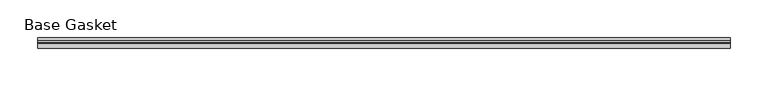
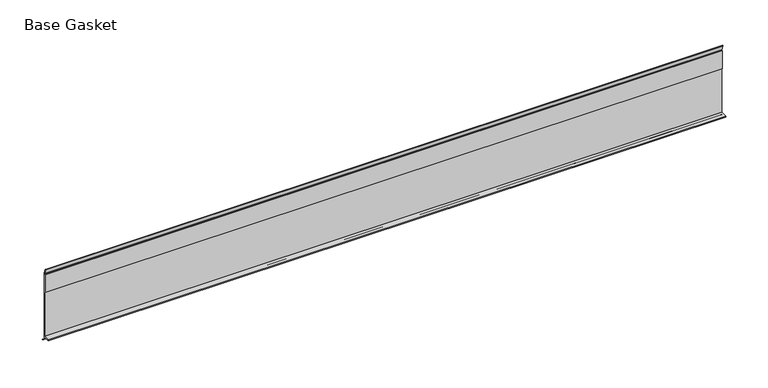
"""IFC4 building model written with IfcOpenShell, lengths in millimetres: furniture geometry, Base Gasket."""

from ifc_helpers import new_model, si_unit, frame, origin, place, context, project, spatial, polyline, outline, extrude, source, transform, mapped, element, save


def base_gasket_c7fe4c1a(model_context):
    return source(origin(), model_context, "Body", "SweptSolid", [
        extrude(outline(polyline([(3.7283812, 98.4568417), (3.7283812, 4.3498477), (7.4222115, 0.6560174), (7.8482342, 0.0), (6.8281054, 0.3520979), (2.2043812, 4.3498477), (2.1334222, 6.3818476), (-6.2405171, 6.3818476), (-6.2405171, 7.9398773), (2.2043812, 7.9398773), (2.2043812, 71.4693447), (1.4106313, 71.4693447), (1.4106313, 96.8693477), (2.2043812, 96.8693477), (2.2043812, 98.4568417), (0.6755308, 104.4162708), (0.6755308, 105.2002997), (1.1891543, 104.587663), (3.7283812, 98.4568417)])), frame((-1527.8982117, 0.0, 0.0), z_axis=(1.0, 0.0, 0.0), x_axis=(0.0, 1.0, 0.0)), (0.0, 0.0, 1.0), 920.75),
    ])


if __name__ == "__main__":
    model = new_model("IFC4")
    model_context = context("Model", 3, world=origin())
    ifc_project = project(units=[si_unit("LENGTHUNIT", "METRE", prefix="MILLI")], contexts=[model_context])
    site = spatial("IfcSite", under=ifc_project)
    building = spatial("IfcBuilding", under=site)
    placement = place(None, origin())
    base_gasket_shape = base_gasket_c7fe4c1a(model_context)
    element("IfcFurniture", 1, ObjectType="Base Gasket", at=placement, inside=building, context=model_context, shape_type="MappedRepresentation", body=[
        mapped(base_gasket_shape, transform((0.0, 0.0, 0.0), x_axis=(1.0, 0.0, 0.0), y_axis=(0.0, 1.0, 0.0), z_axis=(0.0, 0.0, 1.0))),
    ])
    save(model, "model.ifc")
